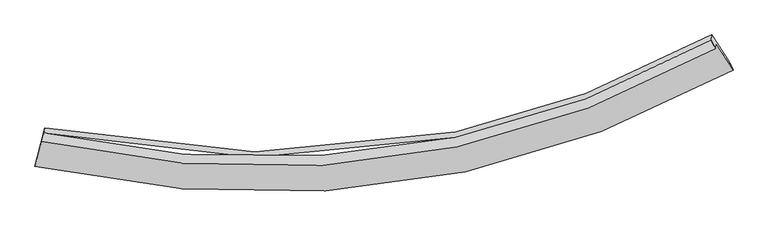
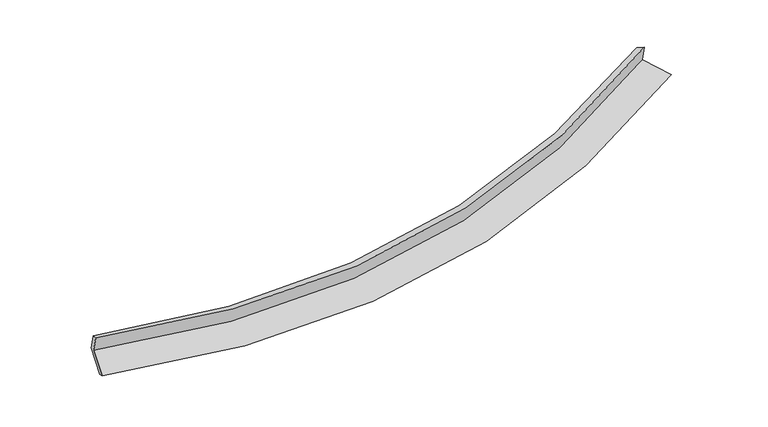
"""IFC4 building model written with IfcOpenShell, lengths in millimetres: proxy geometry."""

from ifc_helpers import new_model, si_unit, frame, origin, place, context, project, spatial, source, transform, mapped, element, save
from ifc_brep_helpers import plane_surface, spline_curve, spline_surface, advanced_brep


def generic_models_ad59173d(model_context):
    return source(origin(), model_context, "Body", "AdvancedBrep", [
        advanced_brep(
        [(-7384.5133821, -2092.3800805, 1464.919937), (-7543.1433408, -2709.2372271, 1271.043254), (6621.7137223, -752.1400226, 2430.0542592), (6274.5132978, -205.8934162, 2582.5610758), (-7399.447153, -2207.898564, 1844.6837355), (6259.4692363, -322.2650392, 2965.1295466), (-7360.2547486, -2038.2554883, 1773.1556113), (6179.2787435, -150.3061419, 2877.4061406), (-7346.0152871, -1928.1077561, 1411.0480084), (6193.6280937, -39.308379, 2512.504085), (-7508.1927136, -2558.7597806, 1212.8356292), (6542.3034198, -587.8754319, 2359.349422)],
        [
            (0, 1),
            (1, 2, spline_curve(3, [(-7543.1433408, -2709.2372271, 1271.043254), (-4502.680910629, -3386.589964842, 1160.022187926), (-1593.811882421, -3426.642041216, 1253.13662926), (3056.037541098, -2426.699522859, 1750.806894839), (4868.787534261, -1734.281711022, 2044.029455773), (6621.7137223, -752.1400226, 2430.0542592)], [4, 2, 4], [0.0, 28.155107285898296, 47.13864485736881])),
            (2, 3),
            (3, 0, spline_curve(3, [(6274.5132978, -205.8934162, 2582.5610758), (4583.420163048, -1152.566975539, 2209.756661051), (2834.947364271, -1819.983049246, 1926.666882246), (-1649.224126573, -2783.832371444, 1446.490721545), (-4453.760219936, -2745.245185846, 1357.033454101), (-7384.5133821, -2092.3800805, 1464.919937)], [4, 2, 4], [0.0, 18.983537571470514, 47.13864485736881])),
            (4, 0),
            (3, 5),
            (5, 4, spline_curve(3, [(6259.4692363, -322.2650392, 2965.1295466), (4568.517135515, -1267.847649645, 2588.738666868), (2820.134535459, -1934.565996839, 2303.35513217), (-1663.939206337, -2897.659195929, 1820.693238271), (-4468.528735868, -2859.485357354, 1732.594836303), (-7399.447153, -2207.898564, 1844.6837355)], [4, 2, 4], [0.0, 18.638280926727173, 46.28132675741352])),
            (6, 4),
            (5, 7),
            (7, 6, spline_curve(3, [(6179.2787435, -150.3061419, 2877.4061406), (4500.93311505, -1080.728842124, 2522.186082055), (2766.534026541, -1738.517628219, 2250.323040177), (-1679.397426656, -2694.908324754, 1782.237542054), (-4458.176169111, -2666.435987443, 1686.017075179), (-7360.2547486, -2038.2554883, 1773.1556113)], [4, 2, 4], [0.0, 18.55134120234337, 46.06544387592758])),
            (8, 6),
            (7, 9),
            (9, 8, spline_curve(3, [(6193.6280937, -39.308379, 2512.504085), (4515.312834506, -969.496161301, 2156.511739887), (2780.925944586, -1627.190587204, 1884.338492515), (-1665.020339481, -2583.696002277, 1416.630127789), (-4443.847909615, -2555.601367844, 1321.65134906), (-7346.0152871, -1928.1077561, 1411.0480084)], [4, 2, 4], [0.0, 18.4644975625217, 45.84979958516972])),
            (10, 8),
            (9, 11),
            (11, 10, spline_curve(3, [(6542.3034198, -587.8754319, 2359.349422), (4801.877924945, -1551.565452552, 1990.723782337), (3002.77677408, -2233.707736145, 1708.569048633), (-1610.329755907, -3228.437193838, 1222.660116511), (-4494.727315967, -3203.256360281, 1122.643586235), (-7508.1927136, -2558.7597806, 1212.8356292)], [4, 2, 4], [0.0, 18.812563353394456, 46.71409316802689])),
            (1, 10),
            (11, 2),
        ],
        [
            spline_surface(3, 3, [[(-7384.5133821, -2092.3800805, 1464.919937), (-4453.760220275, -2745.24518559, 1357.033453648), (-1649.224126165, -2783.832371152, 1446.4907211), (2834.947363996, -1819.983049443, 1926.666882547), (4583.420163223, -1152.566975766, 2209.756661356), (6274.5132978, -205.8934162, 2582.5610758)], [(-7437.390035, -2297.999129371, 1400.294375993), (-4470.067117119, -2959.026778618, 1291.363031696), (-1630.753378369, -2998.102261255, 1382.039357004), (2908.644089811, -2022.221873851, 1868.046886737), (4678.54262031, -1346.471887514, 2154.514259515), (6390.246772633, -387.975618314, 2531.72547027)], [(-7490.2666879, -2503.618178229, 1335.668815007), (-4486.374013963, -3172.808371633, 1225.692609764), (-1612.282630635, -3212.372151374, 1317.587992923), (2982.340815565, -2224.460698275, 1809.426890942), (4773.665077396, -1540.37679932, 2099.271857665), (6505.980247467, -570.057820486, 2480.88986473)], [(-7543.1433408, -2709.2372271, 1271.043254), (-4502.680910807, -3386.589964661, 1160.022187812), (-1593.811882839, -3426.642041476, 1253.136628827), (3056.03754138, -2426.699522684, 1750.806895131), (4868.787534482, -1734.281711068, 2044.029455825), (6621.7137223, -752.1400226, 2430.0542592)]], [4, 4], [4, 2, 4], [0.0, 2.1840024039006356], [0.0, 28.155107285898296, 47.13864485736881]),
            spline_surface(3, 3, [[(-7399.447153, -2207.898564, 1844.6837355), (-4468.52873605, -2859.485356902, 1732.594836416), (-1663.939206239, -2897.659195937, 1820.693238532), (2820.134535393, -1934.565996833, 2303.355131994), (4568.517135312, -1267.847649514, 2588.73866686), (6259.4692363, -322.2650392, 2965.1295466)], [(-7394.469229347, -2169.39240284, 1718.095802689), (-4463.605897439, -2821.405299804, 1607.40770885), (-1659.034179561, -2859.716921019, 1695.959066043), (2825.072144914, -1896.371681046, 2177.792382166), (4573.484811264, -1229.42075827, 2462.411331692), (6264.483923449, -283.474498205, 2837.606723)], [(-7389.491305753, -2130.88624166, 1591.507869811), (-4458.683058886, -2783.325242687, 1482.220581215), (-1654.129152843, -2821.774646071, 1571.224893589), (2830.009754475, -1858.17736523, 2052.229632374), (4578.452487271, -1190.99386701, 2336.083996524), (6269.498610651, -244.683957195, 2710.0838994)], [(-7384.5133821, -2092.3800805, 1464.919937), (-4453.760220275, -2745.24518559, 1357.033453648), (-1649.224126165, -2783.832371152, 1446.4907211), (2834.947363996, -1819.983049443, 1926.666882547), (4583.420163223, -1152.566975766, 2209.756661356), (6274.5132978, -205.8934162, 2582.5610758)]], [4, 4], [4, 2, 4], [0.0, 1.28753062727123], [0.0, 27.643045830686344, 46.28132675741352]),
            spline_surface(3, 3, [[(-7360.2547486, -2038.2554883, 1773.1556113), (-4458.176169169, -2666.435987466, 1686.017075001), (-1679.397426679, -2694.908324748, 1782.237542486), (2766.534026557, -1738.517628223, 2250.323039885), (4500.933114763, -1080.728842116, 2522.18608221), (6179.2787435, -150.3061419, 2877.4061406)], [(-7373.31888341, -2094.803180209, 1796.998319343), (-4461.627024806, -2730.785777287, 1701.542995449), (-1674.24468652, -2762.491948477, 1795.056107863), (2784.400862848, -1803.867084425, 2268.00040395), (4523.461121619, -1143.10177792, 2544.370277117), (6206.008907773, -207.625774338, 2906.647275957)], [(-7386.38301819, -2151.350872091, 1820.841027457), (-4465.077880412, -2795.135567081, 1717.068915968), (-1669.091946398, -2830.075572209, 1807.874673155), (2802.267699102, -1869.216540631, 2285.677767929), (4545.989128456, -1205.47471371, 2566.554471953), (6232.739072027, -264.945406762, 2935.888411243)], [(-7399.447153, -2207.898564, 1844.6837355), (-4468.52873605, -2859.485356902, 1732.594836416), (-1663.939206239, -2897.659195937, 1820.693238532), (2820.134535393, -1934.565996833, 2303.355131994), (4568.517135312, -1267.847649514, 2588.73866686), (6259.4692363, -322.2650392, 2965.1295466)]], [4, 4], [4, 2, 4], [0.0, 0.6765613430583918], [0.0, 27.51410267358421, 46.06544387592758]),
            spline_surface(3, 3, [[(-7346.0152871, -1928.1077561, 1411.0480084), (-4443.847909591, -2555.601367858, 1321.651348868), (-1665.020339153, -2583.696001922, 1416.630127432), (2780.925944365, -1627.190587444, 1884.338492756), (4515.31283425, -969.496161062, 2156.511739717), (6193.6280937, -39.308379, 2512.504085)], [(-7350.761774281, -1964.823666811, 1531.750542701), (-4448.623996132, -2592.546241039, 1443.106590913), (-1669.812701685, -2620.766776183, 1538.499265774), (2776.128638405, -1664.299601023, 2006.333341789), (4510.519594436, -1006.573721428, 2278.40318719), (6188.844976982, -76.307633315, 2634.138103509)], [(-7355.508261419, -2001.539577589, 1652.453076999), (-4453.400082628, -2629.491114285, 1564.561832956), (-1674.605064146, -2657.837550487, 1660.368404145), (2771.331332517, -1701.408614644, 2128.328190852), (4505.726354576, -1043.65128175, 2400.294634737), (6184.061860218, -113.306887585, 2755.772122091)], [(-7360.2547486, -2038.2554883, 1773.1556113), (-4458.176169169, -2666.435987466, 1686.017075001), (-1679.397426679, -2694.908324748, 1782.237542486), (2766.534026557, -1738.517628223, 2250.323039885), (4500.933114763, -1080.728842116, 2522.18608221), (6179.2787435, -150.3061419, 2877.4061406)]], [4, 4], [4, 2, 4], [0.0, 1.254770508638343], [0.0, 27.38530202264802, 45.84979958516972]),
            spline_surface(3, 3, [[(-7508.1927136, -2558.7597806, 1212.8356292), (-4494.727315754, -3203.25636042, 1122.643585951), (-1610.32975559, -3228.437194277, 1222.660116456), (3002.776773867, -2233.707735849, 1708.569048669), (4801.877924792, -1551.565452461, 1990.723782453), (6542.3034198, -587.8754319, 2359.349422)], [(-7454.133571409, -2348.5424391, 1278.906422263), (-4477.767513675, -2987.371362899, 1188.97950692), (-1628.559950107, -3013.523463488, 1287.316786765), (2928.82649737, -2031.535353044, 1767.158863348), (4706.356227918, -1357.542355321, 2045.986434885), (6426.078311074, -405.019747593, 2410.400976344)], [(-7400.074429291, -2138.3250976, 1344.977215337), (-4460.80771167, -2771.486365379, 1255.315427899), (-1646.790144636, -2798.609732711, 1351.973457123), (2854.876220862, -1829.362970249, 1825.748678077), (4610.834531123, -1163.519258202, 2101.249087285), (6309.853202426, -222.164063307, 2461.452530656)], [(-7346.0152871, -1928.1077561, 1411.0480084), (-4443.847909591, -2555.601367858, 1321.651348868), (-1665.020339153, -2583.696001922, 1416.630127432), (2780.925944365, -1627.190587444, 1884.338492756), (4515.31283425, -969.496161062, 2156.511739717), (6193.6280937, -39.308379, 2512.504085)]], [4, 4], [4, 2, 4], [0.0, 2.1890325051920816], [0.0, 27.901529814632436, 46.71409316802689]),
            spline_surface(3, 3, [[(-7543.1433408, -2709.2372271, 1271.043254), (-4502.680910807, -3386.589964661, 1160.022187812), (-1593.811882839, -3426.642041476, 1253.136628827), (3056.03754138, -2426.699522684, 1750.806895131), (4868.787534482, -1734.281711068, 2044.029455825), (6621.7137223, -752.1400226, 2430.0542592)], [(-7531.493131752, -2659.078078269, 1251.64071241), (-4500.029712474, -3325.478763249, 1147.562653869), (-1599.317840422, -3360.573759091, 1242.977791385), (3038.28395221, -2362.368927087, 1736.727612993), (4846.484331274, -1673.376291533, 2026.260898021), (6595.243621489, -697.385159034, 2406.48598012)], [(-7519.842922648, -2608.918929431, 1232.23817079), (-4497.378514087, -3264.367561831, 1135.103119894), (-1604.823798007, -3294.505476662, 1232.818953898), (3020.530363037, -2298.038331446, 1722.648330808), (4824.181127999, -1612.470871996, 2008.492340257), (6568.773520611, -642.630295466, 2382.91770108)], [(-7508.1927136, -2558.7597806, 1212.8356292), (-4494.727315754, -3203.25636042, 1122.643585951), (-1610.32975559, -3228.437194277, 1222.660116456), (3002.776773867, -2233.707735849, 1708.569048669), (4801.877924792, -1551.565452461, 1990.723782453), (6542.3034198, -587.8754319, 2359.349422)]], [4, 4], [4, 2, 4], [0.0, 0.6569186956418622], [0.0, 28.542384063829846, 47.787042404252425]),
            plane_surface(frame((6345.1510856, -342.9647385, 2621.1674216), z_axis=(0.8520396549853728, 0.4905511528119702, 0.182723815654266), x_axis=(-0.037595199189685076, -0.29081337921011724, 0.9560408879699029))),
            plane_surface(frame((-7423.5944375, -2255.7731495, 1496.2810293), z_axis=(-0.9704731205383917, 0.23873549029529811, 0.03445704551960077), x_axis=(0.23826145997700535, 0.9265165644206993, 0.29120187592749136))),
        ],
        [
            (0, [[1, 2, 3, 4]]),
            (1, [[5, -4, 6, 7]]),
            (2, [[8, -7, 9, 10]]),
            (3, [[11, -10, 12, 13]]),
            (4, [[14, -13, 15, 16]]),
            (5, [[17, -16, 18, -2]]),
            (6, [[-12, -9, -6, -3, -18, -15]]),
            (7, [[-1, -5, -8, -11, -14, -17]]),
        ],
    ),
    ])


if __name__ == "__main__":
    model = new_model("IFC4")
    model_context = context("Model", 3, world=origin())
    ifc_project = project(units=[si_unit("LENGTHUNIT", "METRE", prefix="MILLI")], contexts=[model_context])
    site = spatial("IfcSite", under=ifc_project)
    building = spatial("IfcBuilding", under=site)
    placement = place(None, origin())
    generic_models_shape = generic_models_ad59173d(model_context)
    element("IfcBuildingElementProxy", 1, Name="Generic Models", at=placement, inside=building, context=model_context, shape_type="MappedRepresentation", body=[
        mapped(generic_models_shape, transform((0.0, 0.0, 0.0), x_axis=(1.0, 0.0, 0.0), y_axis=(0.0, 1.0, 0.0), z_axis=(0.0, 0.0, 1.0))),
    ])
    save(model, "model.ifc")
